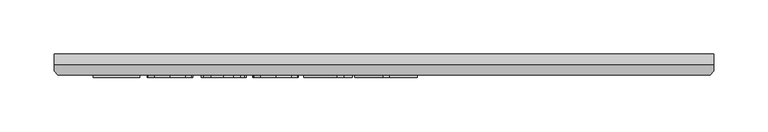
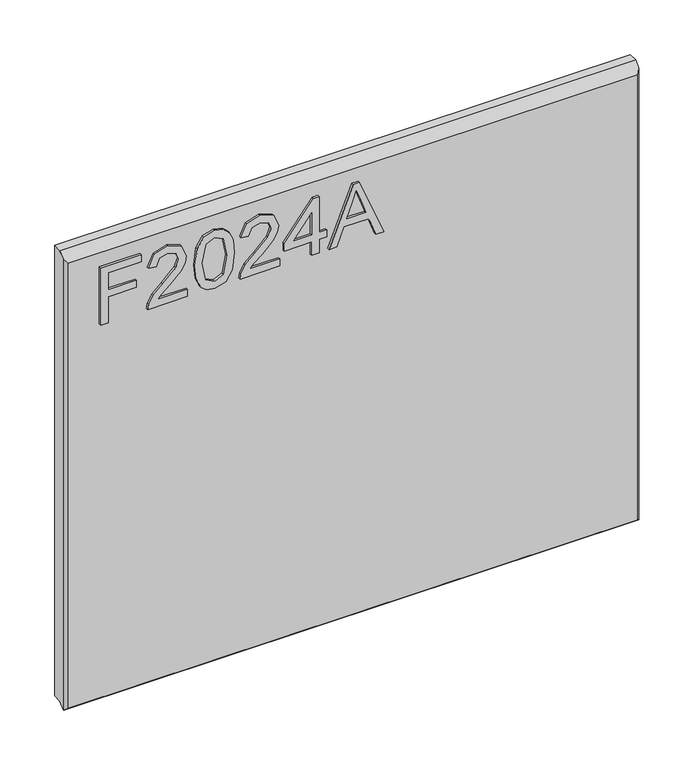
"""IFC4 building model written with IfcOpenShell, lengths in millimetres: furniture geometry."""

from ifc_helpers import new_model, si_unit, frame, origin, place, context, project, spatial, polyline, outline, extrude, faceted_brep, source, transform, mapped, element, save


def furniture_ff29de88(model_context):
    return source(origin(), model_context, "Body", "SolidModel", [
        extrude(outline(polyline([(1523.8035628, -249.8436441), (1523.8035628, -241.8699245), (1552.7082964, -241.8699245), (1552.7082964, -211.9684759), (1560.682016, -211.9684759), (1560.682016, -241.8699245), (1579.6196001, -241.8699245), (1579.6196001, -206.9849011), (1587.5933197, -206.9849011), (1587.5933197, -249.8436441), (1523.8035628, -249.8436441)])), frame((0.0, -21.9273437, 0.0), z_axis=(0.0, 1.0, 0.0), x_axis=(0.0, 0.0, 1.0)), (0.0, 0.0, 1.0), 2.38125),
        extrude(outline(polyline([(1531.7772824, -158.1458685), (1531.7772824, -189.4645211), (1535.8342237, -185.8670031), (1543.5042567, -176.6941108), (1554.429187, -165.270823), (1562.2471699, -160.5597875), (1569.8081873, -159.1425834), (1582.4851556, -164.3986974), (1587.5933197, -178.671967), (1582.9990867, -192.8985156), (1569.6524506, -199.0111815), (1568.6557356, -191.0374619), (1576.7073236, -187.6813358), (1579.6196001, -178.8432774), (1576.6372421, -170.3634135), (1569.3254035, -167.116303), (1560.2926742, -170.5580844), (1547.0083327, -184.3252096), (1537.7653589, -194.3079328), (1529.3010687, -199.1513445), (1523.8035628, -200.0078965), (1523.8035628, -158.1458685), (1531.7772824, -158.1458685)])), frame((0.0, -21.9273437, 0.0), z_axis=(0.0, 1.0, 0.0), x_axis=(0.0, 0.0, 1.0)), (0.0, 0.0, 1.0), 2.38125),
        extrude(outline(polyline([(1555.1845101, -150.1721488), (1539.6692402, -148.5836344), (1528.8805795, -143.818091), (1524.3252807, -137.5263279), (1522.8068478, -129.2411348), (1526.303137, -117.5686683), (1536.908807, -110.6305978), (1555.1845101, -108.3101208), (1570.1741685, -109.7584723), (1579.6118132, -113.4961533), (1585.5375951, -119.9280795), (1587.5933197, -129.2411348), (1584.120391, -140.8668803), (1573.5380815, -147.8283113), (1555.1845101, -150.1721488)]), holes=[polyline([(1555.2000837, -142.1984292), (1575.3524142, -138.3361588), (1579.6196001, -129.3345769), (1574.7761884, -119.8969322), (1555.2000837, -116.2838405), (1535.4137346, -120.0215215), (1530.7805674, -129.2411348), (1535.3981609, -138.4607482), (1555.2000837, -142.1984292)])]), frame((0.0, -21.9273438, 0.0), z_axis=(0.0, 1.0, 0.0), x_axis=(0.0, 0.0, 1.0)), (0.0, 0.0, 1.0), 2.38125),
        extrude(outline(polyline([(1531.7772824, -60.4678031), (1531.7772824, -91.7864558), (1535.8342237, -88.1889378), (1543.5042567, -79.0160455), (1554.429187, -67.5927577), (1562.2471699, -62.8817222), (1569.8081873, -61.4645181), (1582.4851556, -66.7206321), (1587.5933197, -80.9939017), (1582.9990867, -95.2204503), (1569.6524506, -101.3331162), (1568.6557356, -93.3593966), (1576.7073236, -90.0032704), (1579.6196001, -81.1652121), (1576.6372421, -72.6853481), (1569.3254035, -69.4382377), (1560.2926742, -72.880019), (1547.0083327, -86.6471443), (1537.7653589, -96.6298675), (1529.3010687, -101.4732792), (1523.8035628, -102.3298311), (1523.8035628, -60.4678031), (1531.7772824, -60.4678031)])), frame((0.0, -21.9273437, 0.0), z_axis=(0.0, 1.0, 0.0), x_axis=(0.0, 0.0, 1.0)), (0.0, 0.0, 1.0), 2.38125),
        extrude(outline(polyline([(1523.8035628, -26.5794948), (1523.8035628, -18.6057751), (1538.754287, -18.6057751), (1538.754287, -10.6320555), (1546.7280067, -10.6320555), (1546.7280067, -18.6057751), (1586.5966047, -18.6057751), (1586.5966047, -24.5860649), (1546.7280067, -55.4842284), (1538.754287, -55.4842284), (1538.754287, -26.5794948), (1523.8035628, -26.5794948)]), holes=[polyline([(1546.7280067, -26.5794948), (1546.7280067, -45.6728156), (1571.3655544, -26.5794948), (1546.7280067, -26.5794948)])]), frame((0.0, -21.9273438, 0.0), z_axis=(0.0, 1.0, 0.0), x_axis=(0.0, 0.0, 1.0)), (0.0, 0.0, 1.0), 2.38125),
        extrude(outline(polyline([(1523.8035628, -8.0935471), (1523.8035628, 0.3318089), (1543.7378618, 7.620287), (1543.7378618, 33.8930702), (1523.8035628, 41.197122), (1523.8035628, 49.6224781), (1587.5933197, 24.1595258), (1587.5933197, 17.3694052), (1523.8035628, -8.0935471)]), holes=[polyline([(1551.7115814, 10.5481372), (1568.7647513, 16.7931793), (1579.6196001, 20.7644655), (1567.3942682, 25.2341091), (1551.7115814, 30.9807937), (1551.7115814, 10.5481372)])]), frame((0.0, -21.9273437, 0.0), z_axis=(0.0, 1.0, 0.0), x_axis=(0.0, 0.0, 1.0)), (0.0, 0.0, 1.0), 2.38125),
        faceted_brep([(323.5377049, 0.0, 1612.7035627), (-286.0622951, 0.0, 1612.7035627), (-286.0622951, -10.0314449, 1612.7035627), (323.5377049, -10.0314449, 1612.7035627), (-286.0622951, 0.0, 1108.176219), (323.5377049, 0.0, 1108.176219), (323.5377049, -10.0314449, 1108.176219), (-286.0622951, -10.0314449, 1108.176219), (-286.0622951, -15.7726273, 1102.4350367), (-286.0622951, -15.7726273, 1606.9623804), (-282.8959807, -19.5460937, 1105.001219), (320.3713906, -19.5460937, 1105.001219), (320.3713906, -19.5460937, 1603.1889139), (-282.8959807, -19.5460937, 1603.1889139), (323.5377049, -15.7726273, 1606.9623804), (323.5377049, -15.7726273, 1102.4350367), (-285.5514364, -16.3814449, 1101.826219), (323.0268462, -16.3814449, 1101.826219)], [[[0, 1, 2, 3]], [[4, 5, 6, 7]], [[1, 4, 7, 8, 9, 2]], [[10, 11, 12, 13]], [[5, 0, 3, 14, 15, 6]], [[1, 0, 5, 4]], [[11, 10, 16, 17]], [[7, 6, 15, 17, 16, 8]], [[3, 2, 9, 13, 12, 14]], [[9, 8, 16, 10, 13]], [[12, 11, 17, 15, 14]]]),
    ])


if __name__ == "__main__":
    model = new_model("IFC4")
    model_context = context("Model", 3, world=origin())
    ifc_project = project(units=[si_unit("LENGTHUNIT", "METRE", prefix="MILLI")], contexts=[model_context])
    site = spatial("IfcSite", under=ifc_project)
    building = spatial("IfcBuilding", under=site)
    placement = place(None, origin())
    furniture_shape = furniture_ff29de88(model_context)
    element("IfcFurniture", 1, at=placement, inside=building, context=model_context, shape_type="MappedRepresentation", body=[
        mapped(furniture_shape, transform((0.0, 0.0, 0.0), x_axis=(1.0, 0.0, 0.0), y_axis=(0.0, 1.0, 0.0), z_axis=(0.0, 0.0, 1.0))),
    ])
    save(model, "model.ifc")
